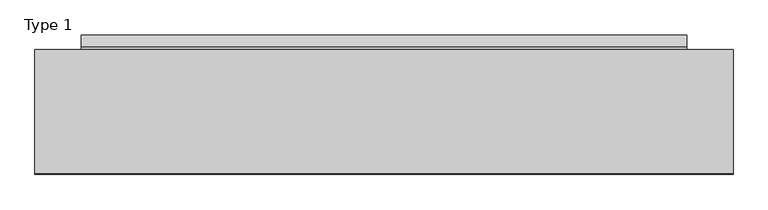
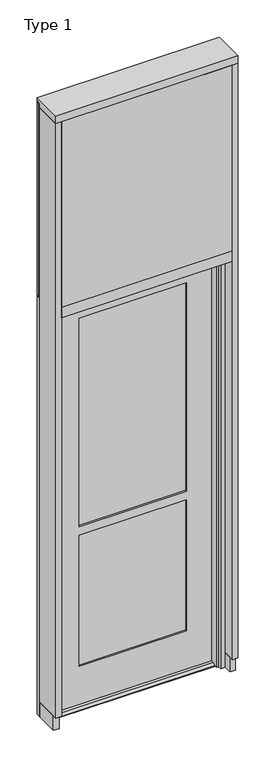
"""IFC4 building model written with IfcOpenShell, lengths in millimetres: plate geometry, Type 1."""

from ifc_helpers import new_model, si_unit, frame, origin, place, context, project, spatial, polyline, outline, extrude, faceted_brep, source, transform, mapped, element, save


def type_1_f4185cf4(model_context):
    return source(origin(), model_context, "Body", "SolidModel", [
        extrude(outline(polyline([(-514.35, -155.9814), (-514.35, 2.286), (-482.6, 2.286), (-482.6, -155.9814), (-514.35, -155.9814)])), frame((0.0, 0.0, 31.75), z_axis=(0.0, 0.0, 1.0), x_axis=(1.0, 0.0, 0.0)), (0.0, 0.0, 1.0), 3543.3),
        extrude(outline(polyline([(514.35, -155.9814), (482.6, -155.9814), (482.6, 2.286), (514.35, 2.286), (514.35, -155.9814)])), frame((0.0, 0.0, 31.75), z_axis=(0.0, 0.0, 1.0), x_axis=(1.0, 0.0, 0.0)), (0.0, 0.0, 1.0), 3543.3),
        extrude(outline(polyline([(482.6010892, -48.6409999), (482.6010892, -156.32684), (-482.6, -156.32684), (-482.6, -48.6409999), (482.6010892, -48.6409999)])), frame((0.0, 0.0, 2470.15), z_axis=(0.0, 0.0, 1.0), x_axis=(1.0, 0.0, 0.0)), (0.0, 0.0, 1.0), 1104.9984372),
        extrude(outline(polyline([(514.35, 27.6881517), (514.35, 11.2982336), (501.6510892, 11.2982336), (501.6510892, 27.6881517), (514.35, 27.6881517)])), frame((0.0, 0.0, 2444.75), z_axis=(0.0, 0.0, 1.0), x_axis=(1.0, 0.0, 0.0)), (0.0, 0.0, 1.0), 1149.35),
        extrude(outline(polyline([(-501.6510892, 27.6881517), (-501.6510892, 11.2982336), (-514.35, 11.2982336), (-514.35, 27.6881517), (-501.6510892, 27.6881517)])), frame((0.0, 0.0, 2444.75), z_axis=(0.0, 0.0, 1.0), x_axis=(1.0, 0.0, 0.0)), (0.0, 0.0, 1.0), 1149.35),
        extrude(outline(polyline([(501.6510892, 27.686), (501.6510892, 2.286), (-501.6510892, 2.286), (-501.6510892, 27.686), (501.6510892, 27.686)])), frame((0.0, 0.0, 2444.75), z_axis=(0.0, 0.0, 1.0), x_axis=(1.0, 0.0, 0.0)), (0.0, 0.0, 1.0), 1149.35),
        faceted_brep([(457.2, 27.6820313, -57.15), (482.6, 27.6820313, -57.15), (482.6, -86.6179687, -57.15), (457.2, -86.6179687, -57.15), (457.2, -63.6309687, -57.15), (444.5, -63.6309687, -57.15), (444.5, -22.3559687, -57.15), (457.2, -22.3559687, -57.15), (457.2, 27.6820312, 2381.25), (-457.2, 27.6820312, 2381.25), (-457.2, 27.6820313, -57.15), (-482.6, 27.6820313, -57.15), (-482.6, 27.6820312, 2406.65), (482.6, 27.6820312, 2406.65), (482.6, -86.6179688, 2406.65), (-482.6, -86.6179688, 2406.65), (-482.6, -86.6179687, -57.15), (-457.2, -86.6179687, -57.15), (-457.2, -86.6179688, 2381.25), (457.2, -86.6179688, 2381.25), (457.2, -63.6309688, 2381.25), (-457.2, -63.6309688, 2381.25), (-457.2, -63.6309687, -57.15), (-444.5, -63.6309687, -57.15), (-444.5, -63.6309688, 2368.55), (444.5, -63.6309688, 2368.55), (444.5, -22.3559688, 2368.55), (-444.5, -22.3559688, 2368.55), (-444.5, -22.3559687, -57.15), (-457.2, -22.3559687, -57.15), (-457.2, -22.3559688, 2381.25), (457.2, -22.3559688, 2381.25)], [[[0, 1, 2, 3, 4, 5, 6, 7]], [[1, 0, 8, 9, 10, 11, 12, 13]], [[2, 1, 13, 14]], [[3, 2, 14, 15, 16, 17, 18, 19]], [[4, 3, 19, 20]], [[5, 4, 20, 21, 22, 23, 24, 25]], [[6, 5, 25, 26]], [[7, 6, 26, 27, 28, 29, 30, 31]], [[0, 7, 31, 8]], [[14, 13, 12, 15]], [[20, 19, 18, 21]], [[26, 25, 24, 27]], [[8, 31, 30, 9]], [[10, 29, 28, 23, 22, 17, 16, 11]], [[15, 12, 11, 16]], [[21, 18, 17, 22]], [[27, 24, 23, 28]], [[9, 30, 29, 10]]]),
        faceted_brep([(446.1446958, -18.3554687, -44.45), (446.1446958, -35.0052141, -44.45), (446.1446958, -51.6930595, -52.2316701), (446.1446958, -51.6930595, -57.15), (446.1446958, -18.3554687, -57.15), (446.1446958, 49.9070312, -57.15), (446.1446958, 49.9070312, -52.2316701), (446.1446958, 33.2191859, -44.45), (446.1446958, 26.0945312, -44.45), (446.1446958, 26.0945313, -57.15), (-446.1446958, 26.0945312, -44.45), (-446.1446958, 33.2191859, -44.45), (-446.1446958, 49.9070312, -52.2316701), (-446.1446958, 49.9070312, -57.15), (-446.1446958, 26.0945313, -57.15), (-446.1446958, -51.6930595, -57.15), (-446.1446958, -51.6930595, -52.2316701), (-446.1446958, -35.0052141, -44.45), (-446.1446958, -18.3554687, -44.45), (-446.1446958, -18.3554688, -57.15), (448.9132958, 26.0945312, 2377.28125), (448.9132958, 26.0945312, -57.15), (-448.9132958, 26.0945312, -57.15), (-448.9132958, 26.0945312, 2377.28125), (-302.8632958, 26.0945312, 2256.628075), (-302.8632958, 26.0945312, 1016.0), (302.8632958, 26.0945312, 1016.0), (302.8632958, 26.0945312, 2256.628075), (-302.8632958, 26.0945312, 182.5625), (302.8632958, 26.0945312, 182.5625), (302.8632958, 26.0945312, 965.2), (-302.8632958, 26.0945312, 965.2), (302.8632958, 16.5695313, 182.5625), (-302.8632958, 16.5695313, 182.5625), (-310.0070458, 16.5695313, 175.41875), (310.0070458, 16.5695313, 175.41875), (310.0070458, 16.5695313, 972.34375), (-310.0070458, 16.5695313, 972.34375), (-302.8632958, 16.5695313, 965.2), (302.8632958, 16.5695313, 965.2), (310.0070458, 16.5695313, 2263.771825), (-310.0070458, 16.5695313, 2263.771825), (-310.0070458, 16.5695313, 1008.85625), (310.0070458, 16.5695313, 1008.85625), (-302.8632958, 16.5695313, 2256.628075), (302.8632958, 16.5695313, 2256.628075), (302.8632958, 16.5695313, 1016.0), (-302.8632958, 16.5695313, 1016.0), (310.0070458, -8.8304688, 175.41875), (-310.0070458, -8.8304688, 175.41875), (-310.0070458, -8.8304688, 972.34375), (310.0070458, -8.8304688, 972.34375), (-302.8632958, -8.8304688, 182.5625), (302.8632958, -8.8304688, 182.5625), (302.8632958, -8.8304688, 965.2), (-302.8632958, -8.8304688, 965.2), (-310.0070458, -8.8304688, 2263.771825), (310.0070458, -8.8304688, 2263.771825), (310.0070458, -8.8304688, 1008.85625), (-310.0070458, -8.8304688, 1008.85625), (302.8632958, -8.8304688, 2256.628075), (-302.8632958, -8.8304688, 2256.628075), (-302.8632958, -8.8304688, 1016.0), (302.8632958, -8.8304688, 1016.0), (302.8632958, -18.3554687, 182.5625), (-302.8632958, -18.3554687, 182.5625), (446.1446958, -18.3554688, 2377.28125), (-446.1446958, -18.3554688, 2377.28125), (-302.8632958, -18.3554688, 2256.628075), (302.8632958, -18.3554688, 2256.628075), (302.8632958, -18.3554687, 1016.0), (-302.8632958, -18.3554687, 1016.0), (-302.8632958, -18.3554687, 965.2), (302.8632958, -18.3554687, 965.2)], [[[0, 1, 2, 3, 4]], [[5, 6, 7, 8, 9]], [[10, 11, 12, 13, 14]], [[15, 16, 17, 18, 19]], [[20, 21, 9, 8, 10, 14, 22, 23], [24, 25, 26, 27], [28, 29, 30, 31]], [[32, 29, 28, 33]], [[34, 35, 36, 37], [32, 33, 38, 39]], [[40, 41, 42, 43], [44, 45, 46, 47]], [[48, 35, 34, 49]], [[48, 49, 50, 51], [52, 53, 54, 55]], [[56, 57, 58, 59], [60, 61, 62, 63]], [[64, 53, 52, 65]], [[18, 0, 66, 67], [68, 69, 70, 71], [65, 72, 73, 64]], [[1, 0, 18, 17]], [[2, 1, 17, 16]], [[3, 2, 16, 15]], [[3, 15, 19, 22, 14, 13, 5, 9, 21, 4]], [[6, 5, 13, 12]], [[7, 6, 12, 11]], [[8, 7, 11, 10]], [[66, 20, 23, 67]], [[27, 45, 44, 24]], [[40, 57, 56, 41]], [[60, 69, 68, 61]], [[29, 32, 39, 30]], [[45, 27, 26, 46]], [[36, 35, 48, 51]], [[58, 57, 40, 43]], [[53, 64, 73, 54]], [[69, 60, 63, 70]], [[65, 52, 55, 72]], [[61, 68, 71, 62]], [[42, 41, 56, 59]], [[50, 49, 34, 37]], [[33, 28, 31, 38]], [[24, 44, 47, 25]], [[63, 62, 71, 70]], [[55, 54, 73, 72]], [[51, 50, 37, 36]], [[31, 30, 39, 38]], [[26, 25, 47, 46]], [[59, 58, 43, 42]], [[20, 66, 0, 4, 21]], [[18, 67, 23, 22, 19]]]),
        extrude(outline(polyline([(310.0070458, -2.5312688), (310.0070458, -8.8304688), (-310.0070458, -8.8304688), (-310.0070458, -2.5312688), (310.0070458, -2.5312688)])), frame((0.0, 0.0, 1008.85625), z_axis=(0.0, 0.0, 1.0), x_axis=(1.0, 0.0, 0.0)), (0.0, 0.0, 1.0), 1254.915575),
        extrude(outline(polyline([(310.0070458, 16.5695312), (310.0070458, 10.2703312), (-310.0070458, 10.2703312), (-310.0070458, 16.5695312), (310.0070458, 16.5695312)])), frame((0.0, 0.0, 1008.85625), z_axis=(0.0, 0.0, 1.0), x_axis=(1.0, 0.0, 0.0)), (0.0, 0.0, 1.0), 1254.915575),
        extrude(outline(polyline([(310.0070458, 16.5695312), (310.0070458, 10.2703312), (-310.0070458, 10.2703312), (-310.0070458, 16.5695312), (310.0070458, 16.5695312)])), frame((0.0, 0.0, 175.41875), z_axis=(0.0, 0.0, 1.0), x_axis=(1.0, 0.0, 0.0)), (0.0, 0.0, 1.0), 796.925),
        extrude(outline(polyline([(310.0070458, -2.5312688), (310.0070458, -8.8304688), (-310.0070458, -8.8304688), (-310.0070458, -2.5312688), (310.0070458, -2.5312688)])), frame((0.0, 0.0, 175.41875), z_axis=(0.0, 0.0, 1.0), x_axis=(1.0, 0.0, 0.0)), (0.0, 0.0, 1.0), 796.925),
        extrude(outline(polyline([(514.35, 27.686), (514.35, 11.2982336), (-514.35, 11.2982336), (-514.35, 27.686), (514.35, 27.686)])), frame((0.0, 0.0, 2438.4), z_axis=(0.0, 0.0, 1.0), x_axis=(1.0, 0.0, 0.0)), (0.0, 0.0, 1.0), 6.35),
        extrude(outline(polyline([(-57.1504207, 482.6), (-57.1504207, 514.35), (2438.4, 514.35), (2438.4, -514.35), (-57.1504207, -514.35), (-57.1504207, -482.6), (2406.65, -482.6), (2406.65, 482.6), (-57.1504207, 482.6)])), frame((0.0, 2.2859999, 0.0), z_axis=(0.0, 1.0, 0.0), x_axis=(0.0, 0.0, 1.0)), (0.0, 0.0, 1.0), 25.3960313),
        extrude(outline(polyline([(-482.6, 2.2859999), (-482.6, -130.5814), (-514.35, -130.5814), (-514.35, 2.2859999), (-482.6, 2.2859999)])), frame((0.0, 0.0, -57.1504207), z_axis=(0.0, 0.0, 1.0), x_axis=(1.0, 0.0, 0.0)), (0.0, 0.0, 1.0), 88.9004207),
        extrude(outline(polyline([(514.35, 2.2859999), (514.35, -130.5814), (482.6, -130.5814), (482.6, 2.2859999), (514.35, 2.2859999)])), frame((0.0, 0.0, -57.1504207), z_axis=(0.0, 0.0, 1.0), x_axis=(1.0, 0.0, 0.0)), (0.0, 0.0, 1.0), 88.9004207),
        extrude(outline(polyline([(-514.35, 15.9510838), (-514.35, 27.6859999), (514.35, 27.6859999), (514.35, 15.9510838), (-514.35, 15.9510838)])), frame((0.0, 0.0, 3594.7366239), z_axis=(0.0, 0.0, 1.0), x_axis=(1.0, 0.0, 0.0)), (0.0, 0.0, 1.0), 6.7161694),
        extrude(outline(polyline([(27.686, 3619.5), (27.686, 3601.4527933), (2.286, 3601.4527933), (2.286, 3575.6866239), (-155.6003929, 3575.6866239), (-155.4081413, 3619.5), (27.686, 3619.5)])), frame((-514.35, 0.0, 0.0), z_axis=(1.0, 0.0, 0.0), x_axis=(0.0, 1.0, 0.0)), (0.0, 0.0, 1.0), 1028.7),
        extrude(outline(polyline([(-482.6, -155.4734), (-482.6, 2.2859999), (482.6, 2.2859999), (482.6, -155.4734), (-482.6, -155.4734)])), frame((0.0, 0.0, 2406.65), z_axis=(0.0, 0.0, 1.0), x_axis=(1.0, 0.0, 0.0)), (0.0, 0.0, 1.0), 63.5),
    ])


if __name__ == "__main__":
    model = new_model("IFC4")
    model_context = context("Model", 3, world=origin())
    ifc_project = project(units=[si_unit("LENGTHUNIT", "METRE", prefix="MILLI")], contexts=[model_context])
    site = spatial("IfcSite", under=ifc_project)
    building = spatial("IfcBuilding", under=site)
    placement = place(None, origin())
    type_1_shape = type_1_f4185cf4(model_context)
    element("IfcPlate", 1, ObjectType="Type 1", at=placement, inside=building, context=model_context, shape_type="MappedRepresentation", body=[
        mapped(type_1_shape, transform((0.0, 0.0, 0.0), x_axis=(1.0, 0.0, 0.0), y_axis=(0.0, 1.0, 0.0), z_axis=(0.0, 0.0, 1.0))),
    ])
    save(model, "model.ifc")
